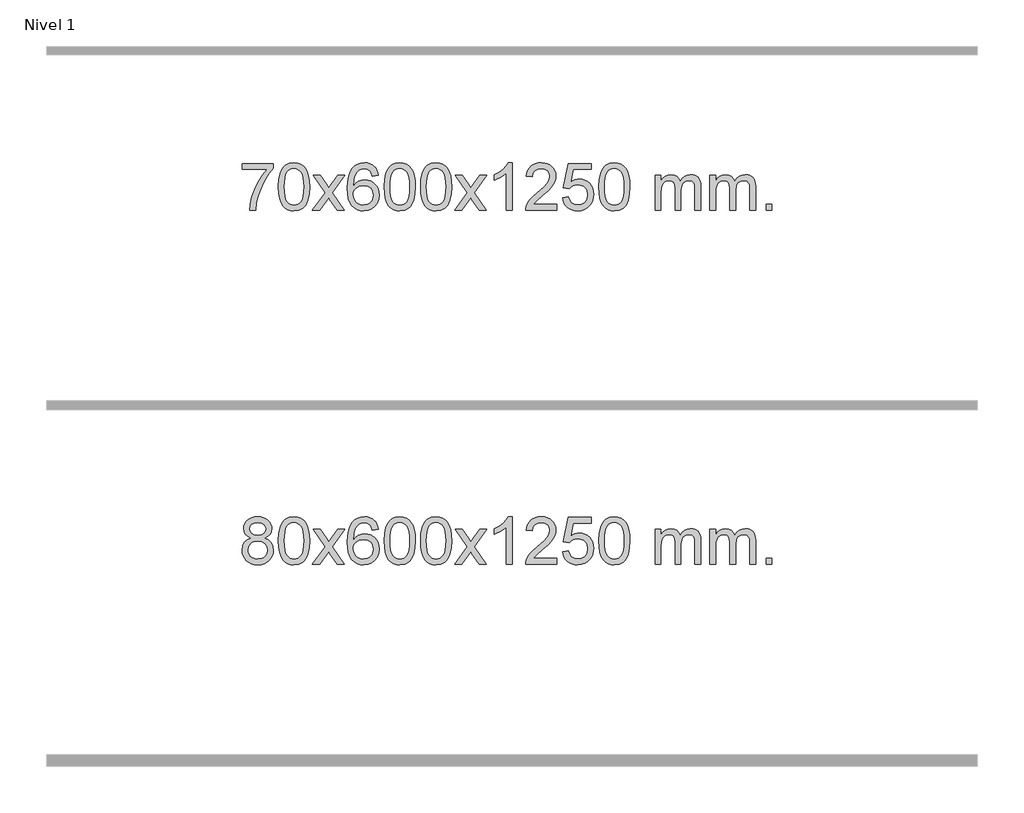
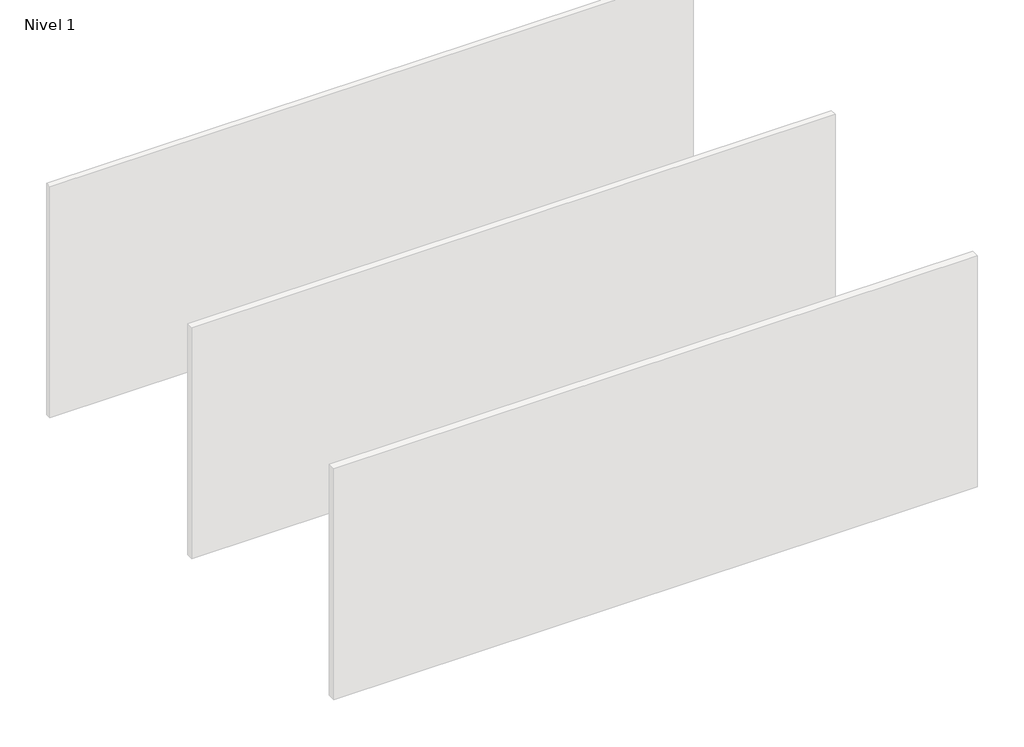
# One storey, part 4 of 6: 2 proxies.
"""IFC4 building model written with IfcOpenShell, lengths in millimetres."""

from ifc_helpers import new_model, si_unit, origin, origin_with_axes, place, context, project, spatial, polyline, outline, extrude, element, save

model = new_model("IFC4")

# Units and contexts
model_context = context("Model", 3, world=origin())
ifc_project = project(units=[si_unit("LENGTHUNIT", "METRE", prefix="MILLI")], contexts=[model_context])

# Site, building, storey
site = spatial("IfcSite", under=ifc_project)
building = spatial("IfcBuilding", under=site)
storey = spatial("IfcBuildingStorey", under=building, Name="Nivel 1", Elevation=0.0)

# Proxies
placement = place(None, origin())
element("IfcBuildingElementProxy", 1, Name="Texto de modelo 1", ObjectType="Texto de modelo 1", at=placement, inside=storey, context=model_context, shape_type="SweptSolid", body=[
    extrude(outline(polyline([(-4797.6595743, -9178.2616447), (-4824.5517482, -9165.0178929), (-4843.4240945, -9147.0652515), (-4854.570919, -9124.7716026), (-4858.2865271, -9098.5048281), (-4856.2631762, -9078.0199324), (-4850.1931233, -9059.2395565), (-4840.0763684, -9042.1637006), (-4825.9129116, -9026.7923645), (-4808.3833345, -9014.088173), (-4788.1682189, -9005.0137504), (-4765.2675647, -8999.5690969), (-4739.6813719, -8997.7542124), (-4713.9725518, -8999.6120165), (-4690.9002193, -9005.1854287), (-4670.4643745, -9014.4744491), (-4652.6650173, -9027.4790776), (-4638.2440431, -9043.1508506), (-4627.9433472, -9060.4413044), (-4621.7629297, -9079.3504389), (-4619.7027905, -9099.8782543), (-4623.3693478, -9125.2989001), (-4634.3690194, -9147.2124043), (-4652.8244328, -9165.0546811), (-4678.8582154, -9178.2616447), (-4647.943865, -9194.1909351), (-4625.4417497, -9217.6495436), (-4611.7197512, -9247.5092989), (-4607.1457518, -9282.6420295), (-4609.4143574, -9307.6947933), (-4616.2201743, -9330.6628926), (-4627.5632025, -9351.5463272), (-4643.443442, -9370.3450971), (-4663.0270268, -9385.88198), (-4685.4800913, -9396.9797536), (-4710.8026353, -9403.6384177), (-4738.9946588, -9405.8579724), (-4767.1866824, -9403.6292206), (-4792.5092264, -9396.9429654), (-4814.9622908, -9385.7992066), (-4834.5458757, -9370.1979443), (-4850.4261152, -9351.26735), (-4861.7691434, -9330.135595), (-4868.5749603, -9306.8026795), (-4870.8435659, -9281.2686033), (-4866.0856254, -9244.7747094), (-4851.811804, -9214.7555386), (-4828.7578657, -9192.2411605), (-4797.6595743, -9178.2616447)]), holes=[polyline([(-4808.0583721, -9099.9763561), (-4803.6069999, -9121.902123), (-4790.2528835, -9139.413306), (-4768.3884303, -9150.8912243), (-4738.4060477, -9154.717197), (-4709.1226408, -9150.9157497), (-4687.5892814, -9139.5114079), (-4674.3455296, -9122.5888361), (-4669.9309456, -9102.232699), (-4674.4926824, -9081.1040098), (-4688.1778926, -9063.629615), (-4710.0055576, -9051.8941794), (-4738.9946588, -9047.9823675), (-4768.1677011, -9051.8083402), (-4789.9585779, -9063.2862585), (-4803.5334235, -9080.1107284), (-4808.0583721, -9099.9763561)]), polyline([(-4820.6154108, -9279.5027698), (-4818.5184835, -9298.7184726), (-4812.2277013, -9317.3210389), (-4800.614893, -9333.5446349), (-4782.5518871, -9345.623427), (-4760.9204258, -9353.1282197), (-4738.6022514, -9355.6298173), (-4704.4137513, -9350.3691048), (-4690.5200746, -9343.7932141), (-4678.7601135, -9334.5869672), (-4662.7204585, -9310.6869002), (-4657.3739068, -9281.0723996), (-4662.8921368, -9250.9551269), (-4679.4468266, -9226.5277625), (-4691.5256187, -9217.0854579), (-4705.6890755, -9210.3409547), (-4740.2699831, -9204.9453521), (-4773.9802366, -9210.2673783), (-4787.7175634, -9216.919911), (-4799.376357, -9226.2334569), (-4815.3056474, -9250.1948375), (-4820.6154108, -9279.5027698)])]), origin_with_axes(), (0.0, 0.0, 1.0), 10.0),
    extrude(outline(polyline([(-4563.1961161, -9201.9041943), (-4559.5050334, -9137.5861588), (-4548.4317853, -9086.2911459), (-4530.0867365, -9047.2343407), (-4518.2286735, -9032.0009605), (-4504.5802515, -9019.6309284), (-4489.0954852, -9010.0598651), (-4471.7283893, -9003.2233914), (-4431.347209, -8997.7542124), (-4400.3960705, -9000.991574), (-4372.6822935, -9010.7036586), (-4349.5057278, -9026.5103217), (-4332.1662231, -9048.0314184), (-4319.0696241, -9075.0830078), (-4308.6217754, -9107.4811488), (-4301.7791703, -9148.6226186), (-4299.4983019, -9201.9041943), (-4303.1525964, -9265.8543477), (-4314.1154799, -9317.0267333), (-4332.3501641, -9356.1203266), (-4344.1806359, -9371.3996922), (-4357.8198609, -9383.8341036), (-4373.3230213, -9393.4695462), (-4390.7452995, -9400.3520052), (-4431.347209, -9405.8579724), (-4459.011935, -9403.4667394), (-4483.5374014, -9396.2930405), (-4504.923608, -9384.3368757), (-4523.170555, -9367.5982449), (-4540.681738, -9337.3399508), (-4553.1897258, -9299.6381776), (-4560.6945185, -9254.4929255), (-4563.1961161, -9201.9041943)]), holes=[polyline([(-4512.967961, -9201.8060924), (-4511.496433, -9245.4706195), (-4507.0818491, -9280.8148822), (-4499.7242092, -9307.8388804), (-4489.4235133, -9326.5426142), (-4476.9645764, -9339.2682656), (-4463.1322134, -9348.3580165), (-4447.9264243, -9353.8118671), (-4431.347209, -9355.6298173), (-4414.7679938, -9353.8057357), (-4399.5622046, -9348.3334911), (-4385.7298416, -9339.2130833), (-4373.2709047, -9326.4445124), (-4362.9702088, -9307.7101217), (-4355.6125689, -9280.6922549), (-4351.197985, -9245.3909118), (-4349.726457, -9201.8060924), (-4351.1489341, -9159.2973278), (-4355.4163652, -9124.5753989), (-4362.5287504, -9097.6403055), (-4372.4860898, -9078.4920476), (-4384.7365602, -9065.1440625), (-4398.7283388, -9055.6097875), (-4414.4614254, -9049.8892225), (-4431.9358202, -9047.9823675), (-4448.4291963, -9049.6623619), (-4463.3774681, -9054.7023452), (-4476.7806354, -9063.1023175), (-4488.6386984, -9074.8622786), (-4499.2827508, -9095.708925), (-4506.8856454, -9123.8151094), (-4511.4473821, -9159.1808319), (-4512.967961, -9201.8060924)])]), origin_with_axes(), (0.0, 0.0, 1.0), 10.0),
    extrude(outline(polyline([(-4274.3842244, -9399.579453), (-4167.0607837, -9251.2494325), (-4268.105705, -9104.4890419), (-4207.6749559, -9104.4890419), (-4158.9183288, -9175.122385), (-4136.1586961, -9208.4770192), (-4116.4402211, -9181.2047007), (-4060.9145653, -9104.4890419), (-4000.4838163, -9104.4890419), (-4106.6300346, -9251.2494325), (-4004.4078909, -9399.579453), (-4064.8386399, -9399.579453), (-4126.3485095, -9310.4048574), (-4137.6302241, -9294.1199477), (-4213.9534753, -9399.579453), (-4274.3842244, -9399.579453)])), origin_with_axes(), (0.0, 0.0, 1.0), 10.0),
    extrude(outline(polyline([(-3715.5959992, -9104.4890419), (-3765.8241543, -9110.7675613), (-3773.9175582, -9085.874213), (-3784.8559162, -9068.8780648), (-3807.6400744, -9053.2062918), (-3835.1821731, -9047.9823675), (-3858.5304171, -9051.0235253), (-3880.5052349, -9060.1469988), (-3899.3775813, -9079.3627017), (-3914.7918368, -9105.8134171), (-3925.2028973, -9143.227016), (-3929.0656583, -9195.3313693), (-3908.9179877, -9171.8237098), (-3884.772666, -9155.2567573), (-3857.9785941, -9145.434308), (-3829.8846724, -9142.1601582), (-3805.7516135, -9144.398107), (-3783.48249, -9151.1119534), (-3763.077302, -9162.3016975), (-3744.5360495, -9177.9673391), (-3729.1279252, -9197.1769106), (-3718.1221222, -9218.9984443), (-3711.5186404, -9243.4319401), (-3709.3174798, -9270.4773982), (-3713.4622836, -9306.4439945), (-3725.8966951, -9339.786366), (-3745.5906445, -9368.0642287), (-3771.5140625, -9388.8372987), (-3802.4897265, -9401.602804), (-3837.3404141, -9405.8579724), (-3867.2829429, -9403.0375437), (-3894.3253352, -9394.5762579), (-3918.4675911, -9380.4741147), (-3939.7097107, -9360.7311143), (-3957.0277556, -9334.5133908), (-3969.3977877, -9300.9870783), (-3976.8198069, -9260.1521768), (-3979.2938133, -9212.0086864), (-3976.5469611, -9158.0342663), (-3968.3064044, -9111.9693092), (-3954.5721433, -9073.8138149), (-3935.3441776, -9043.5677835), (-3914.5036626, -9023.5243462), (-3890.3399469, -9009.2076052), (-3862.8530305, -9000.6175606), (-3832.0429134, -8997.7542124), (-3808.9092673, -8999.5261773), (-3787.9706504, -9004.8420722), (-3769.2270627, -9013.7018969), (-3752.6785043, -9026.1056515), (-3738.7725649, -9041.6364031), (-3727.9568342, -9059.8772186), (-3720.2313123, -9080.8280983), (-3715.5959992, -9104.4890419)]), holes=[polyline([(-3929.0656583, -9269.6925832), (-3926.1593905, -9291.9494439), (-3917.4405872, -9313.2007605), (-3903.9025298, -9331.472233), (-3886.5384996, -9344.7895612), (-3865.5814886, -9352.9197533), (-3841.2644887, -9355.6298173), (-3808.118321, -9350.0134855), (-3794.2031845, -9342.9930708), (-3782.060013, -9333.1644901), (-3772.2099726, -9320.9262824), (-3765.1742294, -9306.6769865), (-3759.5456349, -9272.1451299), (-3765.100653, -9238.9989621), (-3772.0444257, -9225.3781312), (-3781.7657074, -9213.725469), (-3793.9456671, -9204.3904634), (-3808.2654738, -9197.7226022), (-3843.3246279, -9192.3883133), (-3876.4217448, -9197.7226022), (-3904.0987335, -9213.725469), (-3915.0217631, -9225.2248471), (-3922.8239271, -9238.3858254), (-3927.5052255, -9253.2084042), (-3929.0656583, -9269.6925832)])]), origin_with_axes(), (0.0, 0.0, 1.0), 10.0),
    extrude(outline(polyline([(-3665.3678441, -9201.9041943), (-3661.6767614, -9137.5861588), (-3650.6035134, -9086.2911459), (-3632.2584646, -9047.2343407), (-3620.4004016, -9032.0009605), (-3606.7519796, -9019.6309284), (-3591.2672132, -9010.0598651), (-3573.9001174, -9003.2233914), (-3533.518937, -8997.7542124), (-3502.5677985, -9000.991574), (-3474.8540216, -9010.7036586), (-3451.6774559, -9026.5103217), (-3434.3379511, -9048.0314184), (-3421.2413521, -9075.0830078), (-3410.7935035, -9107.4811488), (-3403.9508983, -9148.6226186), (-3401.67003, -9201.9041943), (-3405.3243245, -9265.8543477), (-3416.2872079, -9317.0267333), (-3434.5218921, -9356.1203266), (-3446.352364, -9371.3996922), (-3459.9915889, -9383.8341036), (-3475.4947494, -9393.4695462), (-3492.9170275, -9400.3520052), (-3533.518937, -9405.8579724), (-3561.1836631, -9403.4667394), (-3585.7091294, -9396.2930405), (-3607.0953361, -9384.3368757), (-3625.342283, -9367.5982449), (-3642.853466, -9337.3399508), (-3655.3614539, -9299.6381776), (-3662.8662466, -9254.4929255), (-3665.3678441, -9201.9041943)]), holes=[polyline([(-3615.139689, -9201.8060924), (-3613.6681611, -9245.4706195), (-3609.2535771, -9280.8148822), (-3601.8959372, -9307.8388804), (-3591.5952414, -9326.5426142), (-3579.1363044, -9339.2682656), (-3565.3039414, -9348.3580165), (-3550.0981523, -9353.8118671), (-3533.518937, -9355.6298173), (-3516.9397218, -9353.8057357), (-3501.7339327, -9348.3334911), (-3487.9015696, -9339.2130833), (-3475.4426327, -9326.4445124), (-3465.1419369, -9307.7101217), (-3457.784297, -9280.6922549), (-3453.369713, -9245.3909118), (-3451.8981851, -9201.8060924), (-3453.3206621, -9159.2973278), (-3457.5880932, -9124.5753989), (-3464.7004785, -9097.6403055), (-3474.6578178, -9078.4920476), (-3486.9082883, -9065.1440625), (-3500.9000668, -9055.6097875), (-3516.6331535, -9049.8892225), (-3534.1075482, -9047.9823675), (-3550.6009244, -9049.6623619), (-3565.5491961, -9054.7023452), (-3578.9523635, -9063.1023175), (-3590.8104264, -9074.8622786), (-3601.4544788, -9095.708925), (-3609.0573734, -9123.8151094), (-3613.6191101, -9159.1808319), (-3615.139689, -9201.8060924)])]), origin_with_axes(), (0.0, 0.0, 1.0), 10.0),
    extrude(outline(polyline([(-3357.7203943, -9201.9041943), (-3354.0293116, -9137.5861588), (-3342.9560635, -9086.2911459), (-3324.6110147, -9047.2343407), (-3312.7529517, -9032.0009605), (-3299.1045297, -9019.6309284), (-3283.6197634, -9010.0598651), (-3266.2526676, -9003.2233914), (-3225.8714872, -8997.7542124), (-3194.9203487, -9000.991574), (-3167.2065717, -9010.7036586), (-3144.030006, -9026.5103217), (-3126.6905013, -9048.0314184), (-3113.5939023, -9075.0830078), (-3103.1460536, -9107.4811488), (-3096.3034485, -9148.6226186), (-3094.0225801, -9201.9041943), (-3097.6768746, -9265.8543477), (-3108.6397581, -9317.0267333), (-3126.8744423, -9356.1203266), (-3138.7049141, -9371.3996922), (-3152.3441391, -9383.8341036), (-3167.8472995, -9393.4695462), (-3185.2695777, -9400.3520052), (-3225.8714872, -9405.8579724), (-3253.5362133, -9403.4667394), (-3278.0616796, -9396.2930405), (-3299.4478862, -9384.3368757), (-3317.6948332, -9367.5982449), (-3335.2060162, -9337.3399508), (-3347.714004, -9299.6381776), (-3355.2187967, -9254.4929255), (-3357.7203943, -9201.9041943)]), holes=[polyline([(-3307.4922392, -9201.8060924), (-3306.0207112, -9245.4706195), (-3301.6061273, -9280.8148822), (-3294.2484874, -9307.8388804), (-3283.9477915, -9326.5426142), (-3271.4888546, -9339.2682656), (-3257.6564916, -9348.3580165), (-3242.4507025, -9353.8118671), (-3225.8714872, -9355.6298173), (-3209.292272, -9353.8057357), (-3194.0864828, -9348.3334911), (-3180.2541198, -9339.2130833), (-3167.7951829, -9326.4445124), (-3157.494487, -9307.7101217), (-3150.1368471, -9280.6922549), (-3145.7222632, -9245.3909118), (-3144.2507352, -9201.8060924), (-3145.6732123, -9159.2973278), (-3149.9406434, -9124.5753989), (-3157.0530287, -9097.6403055), (-3167.010368, -9078.4920476), (-3179.2608384, -9065.1440625), (-3193.252617, -9055.6097875), (-3208.9857036, -9049.8892225), (-3226.4600984, -9047.9823675), (-3242.9534745, -9049.6623619), (-3257.9017463, -9054.7023452), (-3271.3049136, -9063.1023175), (-3283.1629766, -9074.8622786), (-3293.807029, -9095.708925), (-3301.4099236, -9123.8151094), (-3305.9716603, -9159.1808319), (-3307.4922392, -9201.8060924)])]), origin_with_axes(), (0.0, 0.0, 1.0), 10.0),
    extrude(outline(polyline([(-3068.9085026, -9399.579453), (-2961.5850619, -9251.2494325), (-3062.6299832, -9104.4890419), (-3002.1992341, -9104.4890419), (-2953.4426071, -9175.122385), (-2930.6829743, -9208.4770192), (-2910.9644993, -9181.2047007), (-2855.4388435, -9104.4890419), (-2795.0080945, -9104.4890419), (-2901.1543128, -9251.2494325), (-2798.9321691, -9399.579453), (-2859.3629182, -9399.579453), (-2920.8727877, -9310.4048574), (-2932.1545023, -9294.1199477), (-3008.4777535, -9399.579453), (-3068.9085026, -9399.579453)])), origin_with_axes(), (0.0, 0.0, 1.0), 10.0),
    extrude(outline(polyline([(-2579.1839906, -9399.579453), (-2629.4121457, -9399.579453), (-2629.4121457, -9086.4382987), (-2650.3814194, -9103.3976587), (-2676.9915504, -9120.3324932), (-2729.8684559, -9145.6918254), (-2729.8684559, -9098.2105225), (-2690.4192432, -9076.7507395), (-2656.2430059, -9051.219729), (-2629.3017811, -9024.0700378), (-2611.5576062, -8997.7542124), (-2579.1839906, -8997.7542124), (-2579.1839906, -9399.579453)])), origin_with_axes(), (0.0, 0.0, 1.0), 10.0),
    extrude(outline(polyline([(-2202.4728276, -9349.3512979), (-2202.4728276, -9399.579453), (-2466.1706417, -9399.579453), (-2465.0669957, -9381.8965918), (-2460.7750391, -9364.9494945), (-2448.3896786, -9337.8856424), (-2430.265359, -9311.6311307), (-2404.0476355, -9284.1503456), (-2367.3820633, -9253.4076736), (-2313.1807826, -9205.2641831), (-2280.6600143, -9169.7267824), (-2264.3996301, -9140.884834), (-2258.979502, -9112.8277005), (-2264.0930618, -9087.6768347), (-2279.433741, -9066.7688747), (-2303.0149768, -9052.6789943), (-2332.8502067, -9047.9823675), (-2364.1814899, -9052.5686297), (-2388.5230153, -9066.3274163), (-2404.2315765, -9088.1796068), (-2409.6639672, -9117.0460807), (-2459.8921223, -9110.7675613), (-2455.5725746, -9084.838012), (-2447.7152283, -9062.1826125), (-2436.3200835, -9042.8013627), (-2421.3871402, -9026.6942627), (-2403.2597548, -9014.0329907), (-2382.2812841, -9004.989225), (-2358.4517278, -8999.5629655), (-2331.7710861, -8997.7542124), (-2304.8513211, -8999.7653006), (-2280.8930062, -9005.7985654), (-2259.8961413, -9015.8540066), (-2241.8607265, -9029.9316242), (-2227.375373, -9046.9890861), (-2217.0286918, -9065.9840598), (-2210.8206832, -9086.9165453), (-2208.7513469, -9109.7865427), (-2210.9831644, -9133.8092369), (-2217.6786167, -9157.4149983), (-2229.5612051, -9181.4254299), (-2247.354431, -9206.6621347), (-2275.7181328, -9236.7916701), (-2319.3121492, -9275.4805933), (-2377.0941479, -9323.795762), (-2399.7556788, -9349.3512979), (-2202.4728276, -9349.3512979)])), origin_with_axes(), (0.0, 0.0, 1.0), 10.0),
    extrude(outline(polyline([(-2152.2446725, -9292.8446235), (-2102.0165174, -9286.5661041), (-2092.7949421, -9316.7201649), (-2076.7062361, -9338.3148381), (-2053.823976, -9351.3010725), (-2024.2217382, -9355.6298173), (-2005.0918744, -9354.1245668), (-1988.2183536, -9349.6088153), (-1973.6011756, -9342.0825628), (-1961.2403406, -9331.5458094), (-1951.41176, -9318.519721), (-1944.3913452, -9303.5254641), (-1938.7750134, -9267.6324441), (-1944.035726, -9233.8363514), (-1950.6116166, -9219.9181493), (-1959.8178635, -9207.9865099), (-1971.6851236, -9198.4154467), (-1986.2440535, -9191.5789729), (-2023.4369232, -9186.1097939), (-2047.8029741, -9188.2925604), (-2067.5337117, -9194.8408599), (-2083.2913239, -9204.8717757), (-2095.737998, -9217.5023908), (-2145.9661531, -9211.2238715), (-2102.0165174, -9004.0327318), (-1907.3824165, -9004.0327318), (-1907.3824165, -9054.2608869), (-2061.4023451, -9054.2608869), (-2082.8866537, -9164.919791), (-2065.1608729, -9152.2155994), (-2047.0058964, -9143.1411769), (-2028.4217243, -9137.6965234), (-2009.4083565, -9135.8816388), (-1984.9472695, -9138.1318504), (-1962.4788766, -9144.882485), (-1942.0031779, -9156.1335427), (-1923.5201734, -9171.8850234), (-1908.219348, -9191.1743027), (-1897.2901871, -9213.038756), (-1890.7326905, -9237.4783832), (-1888.5468583, -9264.4931844), (-1890.515027, -9290.5147042), (-1896.419533, -9314.7213394), (-1906.2603764, -9337.1130902), (-1920.0375571, -9357.6899565), (-1940.908729, -9378.7634634), (-1965.2625171, -9393.8159684), (-1993.0989214, -9402.8474714), (-2024.4179419, -9405.8579724), (-2050.3382941, -9403.9235262), (-2073.7509175, -9398.1201877), (-2094.6558118, -9388.447957), (-2113.0529773, -9374.9068338), (-2128.359934, -9358.1712688), (-2139.9942021, -9338.915712), (-2147.9557816, -9317.1401636), (-2152.2446725, -9292.8446235)])), origin_with_axes(), (0.0, 0.0, 1.0), 10.0),
    extrude(outline(polyline([(-1844.5972227, -9201.9041943), (-1840.90614, -9137.5861588), (-1829.8328919, -9086.2911459), (-1811.4878431, -9047.2343407), (-1799.6297801, -9032.0009605), (-1785.9813581, -9019.6309284), (-1770.4965918, -9010.0598651), (-1753.1294959, -9003.2233914), (-1712.7483156, -8997.7542124), (-1681.7971771, -9000.991574), (-1654.0834001, -9010.7036586), (-1630.9068344, -9026.5103217), (-1613.5673297, -9048.0314184), (-1600.4707307, -9075.0830078), (-1590.022882, -9107.4811488), (-1583.1802769, -9148.6226186), (-1580.8994085, -9201.9041943), (-1584.553703, -9265.8543477), (-1595.5165865, -9317.0267333), (-1613.7512707, -9356.1203266), (-1625.5817425, -9371.3996922), (-1639.2209675, -9383.8341036), (-1654.7241279, -9393.4695462), (-1672.1464061, -9400.3520052), (-1712.7483156, -9405.8579724), (-1740.4130416, -9403.4667394), (-1764.938508, -9396.2930405), (-1786.3247146, -9384.3368757), (-1804.5716616, -9367.5982449), (-1822.0828446, -9337.3399508), (-1834.5908324, -9299.6381776), (-1842.0956251, -9254.4929255), (-1844.5972227, -9201.9041943)]), holes=[polyline([(-1794.3690676, -9201.8060924), (-1792.8975396, -9245.4706195), (-1788.4829557, -9280.8148822), (-1781.1253158, -9307.8388804), (-1770.8246199, -9326.5426142), (-1758.365683, -9339.2682656), (-1744.53332, -9348.3580165), (-1729.3275308, -9353.8118671), (-1712.7483156, -9355.6298173), (-1696.1691003, -9353.8057357), (-1680.9633112, -9348.3334911), (-1667.1309482, -9339.2130833), (-1654.6720113, -9326.4445124), (-1644.3713154, -9307.7101217), (-1637.0136755, -9280.6922549), (-1632.5990916, -9245.3909118), (-1631.1275636, -9201.8060924), (-1632.5500406, -9159.2973278), (-1636.8174718, -9124.5753989), (-1643.929857, -9097.6403055), (-1653.8871964, -9078.4920476), (-1666.1376668, -9065.1440625), (-1680.1294453, -9055.6097875), (-1695.862532, -9049.8892225), (-1713.3369268, -9047.9823675), (-1729.8303029, -9049.6623619), (-1744.7785746, -9054.7023452), (-1758.181742, -9063.1023175), (-1770.039805, -9074.8622786), (-1780.6838574, -9095.708925), (-1788.2867519, -9123.8151094), (-1792.8484887, -9159.1808319), (-1794.3690676, -9201.8060924)])]), origin_with_axes(), (0.0, 0.0, 1.0), 10.0),
    extrude(outline(polyline([(-1367.4297494, -9399.579453), (-1367.4297494, -9104.4890419), (-1317.2015944, -9104.4890419), (-1317.2015944, -9153.0494653), (-1302.0939071, -9130.7435537), (-1282.6697378, -9113.2691589), (-1259.5912739, -9101.9751816), (-1233.5207032, -9098.2105225), (-1205.586197, -9102.048758), (-1183.1944463, -9113.5634645), (-1166.4680782, -9131.9943524), (-1155.5297202, -9156.5811324), (-1137.2214596, -9131.0439906), (-1116.338025, -9112.803175), (-1092.8794164, -9101.8586857), (-1066.8456339, -9098.2105225), (-1046.7378172, -9099.7280358), (-1029.0886785, -9104.2805755), (-1013.8982178, -9111.8681416), (-1001.166435, -9122.4907342), (-991.1017968, -9136.2709806), (-983.9127695, -9153.3315082), (-979.5993531, -9173.6723168), (-978.1615476, -9197.2934066), (-978.1615476, -9399.579453), (-1028.3897027, -9399.579453), (-1028.3897027, -9218.875817), (-1029.5546623, -9193.8230531), (-1033.0495413, -9176.9372695), (-1039.5978408, -9165.3735121), (-1049.9230621, -9156.2868268), (-1063.2036022, -9150.4007149), (-1078.6178578, -9148.4386776), (-1105.8288627, -9153.4663982), (-1128.012147, -9168.54956), (-1136.61752, -9180.1194488), (-1142.764215, -9194.7182326), (-1147.681571, -9233.0024856), (-1147.681571, -9399.579453), (-1197.9097261, -9399.579453), (-1197.9097261, -9213.2840106), (-1200.8159938, -9184.8835206), (-1209.5347971, -9164.6254854), (-1224.8754763, -9152.4853796), (-1247.6473718, -9148.4386776), (-1266.9979648, -9151.1364789), (-1284.8279788, -9159.2298828), (-1299.5432586, -9172.5226856), (-1309.5496489, -9190.8186835), (-1315.288608, -9216.2025411), (-1317.2015944, -9250.7589232), (-1317.2015944, -9399.579453), (-1367.4297494, -9399.579453)])), origin_with_axes(), (0.0, 0.0, 1.0), 10.0),
    extrude(outline(polyline([(-902.819315, -9399.579453), (-902.819315, -9104.4890419), (-852.5911599, -9104.4890419), (-852.5911599, -9153.0494653), (-837.4834727, -9130.7435537), (-818.0593033, -9113.2691589), (-794.9808395, -9101.9751816), (-768.9102688, -9098.2105225), (-740.9757626, -9102.048758), (-718.5840118, -9113.5634645), (-701.8576438, -9131.9943524), (-690.9192858, -9156.5811324), (-672.6110252, -9131.0439906), (-651.7275906, -9112.803175), (-628.268982, -9101.8586857), (-602.2351995, -9098.2105225), (-582.1273828, -9099.7280358), (-564.478244, -9104.2805755), (-549.2877833, -9111.8681416), (-536.5560006, -9122.4907342), (-526.4913624, -9136.2709806), (-519.302335, -9153.3315082), (-514.9889186, -9173.6723168), (-513.5511132, -9197.2934066), (-513.5511132, -9399.579453), (-563.7792682, -9399.579453), (-563.7792682, -9218.875817), (-564.9442279, -9193.8230531), (-568.4391069, -9176.9372695), (-574.9874064, -9165.3735121), (-585.3126277, -9156.2868268), (-598.5931677, -9150.4007149), (-614.0074233, -9148.4386776), (-641.2184282, -9153.4663982), (-663.4017125, -9168.54956), (-672.0070855, -9180.1194488), (-678.1537806, -9194.7182326), (-683.0711366, -9233.0024856), (-683.0711366, -9399.579453), (-733.2992916, -9399.579453), (-733.2992916, -9213.2840106), (-736.2055594, -9184.8835206), (-744.9243627, -9164.6254854), (-760.2650419, -9152.4853796), (-783.0369374, -9148.4386776), (-802.3875303, -9151.1364789), (-820.2175444, -9159.2298828), (-834.9328242, -9172.5226856), (-844.9392144, -9190.8186835), (-850.6781736, -9216.2025411), (-852.5911599, -9250.7589232), (-852.5911599, -9399.579453), (-902.819315, -9399.579453)])), origin_with_axes(), (0.0, 0.0, 1.0), 10.0),
    extrude(outline(polyline([(-425.6518418, -9399.579453), (-425.6518418, -9349.3512979), (-375.4236867, -9349.3512979), (-375.4236867, -9399.579453), (-425.6518418, -9399.579453)])), origin_with_axes(), (0.0, 0.0, 1.0), 10.0),
])
element("IfcBuildingElementProxy", 2, Name="Texto de modelo 1", ObjectType="Texto de modelo 1", at=placement, inside=storey, context=model_context, shape_type="SweptSolid", body=[
    extrude(outline(polyline([(-4870.8435659, -6050.2608869), (-4870.8435659, -6000.0327318), (-4607.1457518, -6000.0327318), (-4607.1457518, -6040.646904), (-4644.7310289, -6088.214046), (-4681.9484241, -6148.7061088), (-4714.7757608, -6216.6048623), (-4739.1908626, -6286.3920768), (-4751.1592902, -6338.6067947), (-4757.830217, -6395.579453), (-4808.0583721, -6395.579453), (-4802.6259813, -6343.8061935), (-4788.0946425, -6282.2717985), (-4764.8567631, -6217.0463207), (-4733.3047507, -6154.1998132), (-4696.4675002, -6097.3865704), (-4657.3739068, -6050.2608869), (-4870.8435659, -6050.2608869)])), origin_with_axes(), (0.0, 0.0, 1.0), 10.0),
    extrude(outline(polyline([(-4563.1961161, -6197.9041943), (-4559.5050334, -6133.5861588), (-4548.4317853, -6082.2911459), (-4530.0867365, -6043.2343407), (-4518.2286735, -6028.0009605), (-4504.5802515, -6015.6309284), (-4489.0954852, -6006.0598651), (-4471.7283893, -5999.2233914), (-4431.347209, -5993.7542124), (-4400.3960705, -5996.991574), (-4372.6822935, -6006.7036586), (-4349.5057278, -6022.5103217), (-4332.1662231, -6044.0314184), (-4319.0696241, -6071.0830078), (-4308.6217754, -6103.4811488), (-4301.7791703, -6144.6226186), (-4299.4983019, -6197.9041943), (-4303.1525964, -6261.8543477), (-4314.1154799, -6313.0267333), (-4332.3501641, -6352.1203266), (-4344.1806359, -6367.3996922), (-4357.8198609, -6379.8341036), (-4373.3230213, -6389.4695462), (-4390.7452995, -6396.3520052), (-4431.347209, -6401.8579724), (-4459.011935, -6399.4667394), (-4483.5374014, -6392.2930405), (-4504.923608, -6380.3368757), (-4523.170555, -6363.5982449), (-4540.681738, -6333.3399508), (-4553.1897258, -6295.6381776), (-4560.6945185, -6250.4929255), (-4563.1961161, -6197.9041943)]), holes=[polyline([(-4512.967961, -6197.8060924), (-4511.496433, -6241.4706195), (-4507.0818491, -6276.8148822), (-4499.7242092, -6303.8388804), (-4489.4235133, -6322.5426142), (-4476.9645764, -6335.2682656), (-4463.1322134, -6344.3580165), (-4447.9264243, -6349.8118671), (-4431.347209, -6351.6298173), (-4414.7679938, -6349.8057357), (-4399.5622046, -6344.3334911), (-4385.7298416, -6335.2130833), (-4373.2709047, -6322.4445124), (-4362.9702088, -6303.7101217), (-4355.6125689, -6276.6922549), (-4351.197985, -6241.3909118), (-4349.726457, -6197.8060924), (-4351.1489341, -6155.2973278), (-4355.4163652, -6120.5753989), (-4362.5287504, -6093.6403055), (-4372.4860898, -6074.4920476), (-4384.7365602, -6061.1440625), (-4398.7283388, -6051.6097875), (-4414.4614254, -6045.8892225), (-4431.9358202, -6043.9823675), (-4448.4291963, -6045.6623619), (-4463.3774681, -6050.7023452), (-4476.7806354, -6059.1023175), (-4488.6386984, -6070.8622786), (-4499.2827508, -6091.708925), (-4506.8856454, -6119.8151094), (-4511.4473821, -6155.1808319), (-4512.967961, -6197.8060924)])]), origin_with_axes(), (0.0, 0.0, 1.0), 10.0),
    extrude(outline(polyline([(-4274.3842244, -6395.579453), (-4167.0607837, -6247.2494325), (-4268.105705, -6100.4890419), (-4207.6749559, -6100.4890419), (-4158.9183288, -6171.122385), (-4136.1586961, -6204.4770192), (-4116.4402211, -6177.2047007), (-4060.9145653, -6100.4890419), (-4000.4838163, -6100.4890419), (-4106.6300346, -6247.2494325), (-4004.4078909, -6395.579453), (-4064.8386399, -6395.579453), (-4126.3485095, -6306.4048574), (-4137.6302241, -6290.1199477), (-4213.9534753, -6395.579453), (-4274.3842244, -6395.579453)])), origin_with_axes(), (0.0, 0.0, 1.0), 10.0),
    extrude(outline(polyline([(-3715.5959992, -6100.4890419), (-3765.8241543, -6106.7675613), (-3773.9175582, -6081.874213), (-3784.8559162, -6064.8780648), (-3807.6400744, -6049.2062918), (-3835.1821731, -6043.9823675), (-3858.5304171, -6047.0235253), (-3880.5052349, -6056.1469988), (-3899.3775813, -6075.3627017), (-3914.7918368, -6101.8134171), (-3925.2028973, -6139.227016), (-3929.0656583, -6191.3313693), (-3908.9179877, -6167.8237098), (-3884.772666, -6151.2567573), (-3857.9785941, -6141.434308), (-3829.8846724, -6138.1601582), (-3805.7516135, -6140.398107), (-3783.48249, -6147.1119534), (-3763.077302, -6158.3016975), (-3744.5360495, -6173.9673391), (-3729.1279252, -6193.1769106), (-3718.1221222, -6214.9984443), (-3711.5186404, -6239.4319401), (-3709.3174798, -6266.4773982), (-3713.4622836, -6302.4439945), (-3725.8966951, -6335.786366), (-3745.5906445, -6364.0642287), (-3771.5140625, -6384.8372987), (-3802.4897265, -6397.602804), (-3837.3404141, -6401.8579724), (-3867.2829429, -6399.0375437), (-3894.3253352, -6390.5762579), (-3918.4675911, -6376.4741147), (-3939.7097107, -6356.7311143), (-3957.0277556, -6330.5133908), (-3969.3977877, -6296.9870783), (-3976.8198069, -6256.1521768), (-3979.2938133, -6208.0086864), (-3976.5469611, -6154.0342663), (-3968.3064044, -6107.9693092), (-3954.5721433, -6069.8138149), (-3935.3441776, -6039.5677835), (-3914.5036626, -6019.5243462), (-3890.3399469, -6005.2076052), (-3862.8530305, -5996.6175606), (-3832.0429134, -5993.7542124), (-3808.9092673, -5995.5261773), (-3787.9706504, -6000.8420722), (-3769.2270627, -6009.7018969), (-3752.6785043, -6022.1056515), (-3738.7725649, -6037.6364031), (-3727.9568342, -6055.8772186), (-3720.2313123, -6076.8280983), (-3715.5959992, -6100.4890419)]), holes=[polyline([(-3929.0656583, -6265.6925832), (-3926.1593905, -6287.9494439), (-3917.4405872, -6309.2007605), (-3903.9025298, -6327.472233), (-3886.5384996, -6340.7895612), (-3865.5814886, -6348.9197533), (-3841.2644887, -6351.6298173), (-3808.118321, -6346.0134855), (-3794.2031845, -6338.9930708), (-3782.060013, -6329.1644901), (-3772.2099726, -6316.9262824), (-3765.1742294, -6302.6769865), (-3759.5456349, -6268.1451299), (-3765.100653, -6234.9989621), (-3772.0444257, -6221.3781312), (-3781.7657074, -6209.725469), (-3793.9456671, -6200.3904634), (-3808.2654738, -6193.7226022), (-3843.3246279, -6188.3883133), (-3876.4217448, -6193.7226022), (-3904.0987335, -6209.725469), (-3915.0217631, -6221.2248471), (-3922.8239271, -6234.3858254), (-3927.5052255, -6249.2084042), (-3929.0656583, -6265.6925832)])]), origin_with_axes(), (0.0, 0.0, 1.0), 10.0),
    extrude(outline(polyline([(-3665.3678441, -6197.9041943), (-3661.6767614, -6133.5861588), (-3650.6035134, -6082.2911459), (-3632.2584646, -6043.2343407), (-3620.4004016, -6028.0009605), (-3606.7519796, -6015.6309284), (-3591.2672132, -6006.0598651), (-3573.9001174, -5999.2233914), (-3533.518937, -5993.7542124), (-3502.5677985, -5996.991574), (-3474.8540216, -6006.7036586), (-3451.6774559, -6022.5103217), (-3434.3379511, -6044.0314184), (-3421.2413521, -6071.0830078), (-3410.7935035, -6103.4811488), (-3403.9508983, -6144.6226186), (-3401.67003, -6197.9041943), (-3405.3243245, -6261.8543477), (-3416.2872079, -6313.0267333), (-3434.5218921, -6352.1203266), (-3446.352364, -6367.3996922), (-3459.9915889, -6379.8341036), (-3475.4947494, -6389.4695462), (-3492.9170275, -6396.3520052), (-3533.518937, -6401.8579724), (-3561.1836631, -6399.4667394), (-3585.7091294, -6392.2930405), (-3607.0953361, -6380.3368757), (-3625.342283, -6363.5982449), (-3642.853466, -6333.3399508), (-3655.3614539, -6295.6381776), (-3662.8662466, -6250.4929255), (-3665.3678441, -6197.9041943)]), holes=[polyline([(-3615.139689, -6197.8060924), (-3613.6681611, -6241.4706195), (-3609.2535771, -6276.8148822), (-3601.8959372, -6303.8388804), (-3591.5952414, -6322.5426142), (-3579.1363044, -6335.2682656), (-3565.3039414, -6344.3580165), (-3550.0981523, -6349.8118671), (-3533.518937, -6351.6298173), (-3516.9397218, -6349.8057357), (-3501.7339327, -6344.3334911), (-3487.9015696, -6335.2130833), (-3475.4426327, -6322.4445124), (-3465.1419369, -6303.7101217), (-3457.784297, -6276.6922549), (-3453.369713, -6241.3909118), (-3451.8981851, -6197.8060924), (-3453.3206621, -6155.2973278), (-3457.5880932, -6120.5753989), (-3464.7004785, -6093.6403055), (-3474.6578178, -6074.4920476), (-3486.9082883, -6061.1440625), (-3500.9000668, -6051.6097875), (-3516.6331535, -6045.8892225), (-3534.1075482, -6043.9823675), (-3550.6009244, -6045.6623619), (-3565.5491961, -6050.7023452), (-3578.9523635, -6059.1023175), (-3590.8104264, -6070.8622786), (-3601.4544788, -6091.708925), (-3609.0573734, -6119.8151094), (-3613.6191101, -6155.1808319), (-3615.139689, -6197.8060924)])]), origin_with_axes(), (0.0, 0.0, 1.0), 10.0),
    extrude(outline(polyline([(-3357.7203943, -6197.9041943), (-3354.0293116, -6133.5861588), (-3342.9560635, -6082.2911459), (-3324.6110147, -6043.2343407), (-3312.7529517, -6028.0009605), (-3299.1045297, -6015.6309284), (-3283.6197634, -6006.0598651), (-3266.2526676, -5999.2233914), (-3225.8714872, -5993.7542124), (-3194.9203487, -5996.991574), (-3167.2065717, -6006.7036586), (-3144.030006, -6022.5103217), (-3126.6905013, -6044.0314184), (-3113.5939023, -6071.0830078), (-3103.1460536, -6103.4811488), (-3096.3034485, -6144.6226186), (-3094.0225801, -6197.9041943), (-3097.6768746, -6261.8543477), (-3108.6397581, -6313.0267333), (-3126.8744423, -6352.1203266), (-3138.7049141, -6367.3996922), (-3152.3441391, -6379.8341036), (-3167.8472995, -6389.4695462), (-3185.2695777, -6396.3520052), (-3225.8714872, -6401.8579724), (-3253.5362133, -6399.4667394), (-3278.0616796, -6392.2930405), (-3299.4478862, -6380.3368757), (-3317.6948332, -6363.5982449), (-3335.2060162, -6333.3399508), (-3347.714004, -6295.6381776), (-3355.2187967, -6250.4929255), (-3357.7203943, -6197.9041943)]), holes=[polyline([(-3307.4922392, -6197.8060924), (-3306.0207112, -6241.4706195), (-3301.6061273, -6276.8148822), (-3294.2484874, -6303.8388804), (-3283.9477915, -6322.5426142), (-3271.4888546, -6335.2682656), (-3257.6564916, -6344.3580165), (-3242.4507025, -6349.8118671), (-3225.8714872, -6351.6298173), (-3209.292272, -6349.8057357), (-3194.0864828, -6344.3334911), (-3180.2541198, -6335.2130833), (-3167.7951829, -6322.4445124), (-3157.494487, -6303.7101217), (-3150.1368471, -6276.6922549), (-3145.7222632, -6241.3909118), (-3144.2507352, -6197.8060924), (-3145.6732123, -6155.2973278), (-3149.9406434, -6120.5753989), (-3157.0530287, -6093.6403055), (-3167.010368, -6074.4920476), (-3179.2608384, -6061.1440625), (-3193.252617, -6051.6097875), (-3208.9857036, -6045.8892225), (-3226.4600984, -6043.9823675), (-3242.9534745, -6045.6623619), (-3257.9017463, -6050.7023452), (-3271.3049136, -6059.1023175), (-3283.1629766, -6070.8622786), (-3293.807029, -6091.708925), (-3301.4099236, -6119.8151094), (-3305.9716603, -6155.1808319), (-3307.4922392, -6197.8060924)])]), origin_with_axes(), (0.0, 0.0, 1.0), 10.0),
    extrude(outline(polyline([(-3068.9085026, -6395.579453), (-2961.5850619, -6247.2494325), (-3062.6299832, -6100.4890419), (-3002.1992341, -6100.4890419), (-2953.4426071, -6171.122385), (-2930.6829743, -6204.4770192), (-2910.9644993, -6177.2047007), (-2855.4388435, -6100.4890419), (-2795.0080945, -6100.4890419), (-2901.1543128, -6247.2494325), (-2798.9321691, -6395.579453), (-2859.3629182, -6395.579453), (-2920.8727877, -6306.4048574), (-2932.1545023, -6290.1199477), (-3008.4777535, -6395.579453), (-3068.9085026, -6395.579453)])), origin_with_axes(), (0.0, 0.0, 1.0), 10.0),
    extrude(outline(polyline([(-2579.1839906, -6395.579453), (-2629.4121457, -6395.579453), (-2629.4121457, -6082.4382987), (-2650.3814194, -6099.3976587), (-2676.9915504, -6116.3324932), (-2729.8684559, -6141.6918254), (-2729.8684559, -6094.2105225), (-2690.4192432, -6072.7507395), (-2656.2430059, -6047.219729), (-2629.3017811, -6020.0700378), (-2611.5576062, -5993.7542124), (-2579.1839906, -5993.7542124), (-2579.1839906, -6395.579453)])), origin_with_axes(), (0.0, 0.0, 1.0), 10.0),
    extrude(outline(polyline([(-2202.4728276, -6345.3512979), (-2202.4728276, -6395.579453), (-2466.1706417, -6395.579453), (-2465.0669957, -6377.8965918), (-2460.7750391, -6360.9494945), (-2448.3896786, -6333.8856424), (-2430.265359, -6307.6311307), (-2404.0476355, -6280.1503456), (-2367.3820633, -6249.4076736), (-2313.1807826, -6201.2641831), (-2280.6600143, -6165.7267824), (-2264.3996301, -6136.884834), (-2258.979502, -6108.8277005), (-2264.0930618, -6083.6768347), (-2279.433741, -6062.7688747), (-2303.0149768, -6048.6789943), (-2332.8502067, -6043.9823675), (-2364.1814899, -6048.5686297), (-2388.5230153, -6062.3274163), (-2404.2315765, -6084.1796068), (-2409.6639672, -6113.0460807), (-2459.8921223, -6106.7675613), (-2455.5725746, -6080.838012), (-2447.7152283, -6058.1826125), (-2436.3200835, -6038.8013627), (-2421.3871402, -6022.6942627), (-2403.2597548, -6010.0329907), (-2382.2812841, -6000.989225), (-2358.4517278, -5995.5629655), (-2331.7710861, -5993.7542124), (-2304.8513211, -5995.7653006), (-2280.8930062, -6001.7985654), (-2259.8961413, -6011.8540066), (-2241.8607265, -6025.9316242), (-2227.375373, -6042.9890861), (-2217.0286918, -6061.9840598), (-2210.8206832, -6082.9165453), (-2208.7513469, -6105.7865427), (-2210.9831644, -6129.8092369), (-2217.6786167, -6153.4149983), (-2229.5612051, -6177.4254299), (-2247.354431, -6202.6621347), (-2275.7181328, -6232.7916701), (-2319.3121492, -6271.4805933), (-2377.0941479, -6319.795762), (-2399.7556788, -6345.3512979), (-2202.4728276, -6345.3512979)])), origin_with_axes(), (0.0, 0.0, 1.0), 10.0),
    extrude(outline(polyline([(-2152.2446725, -6288.8446235), (-2102.0165174, -6282.5661041), (-2092.7949421, -6312.7201649), (-2076.7062361, -6334.3148381), (-2053.823976, -6347.3010725), (-2024.2217382, -6351.6298173), (-2005.0918744, -6350.1245668), (-1988.2183536, -6345.6088153), (-1973.6011756, -6338.0825628), (-1961.2403406, -6327.5458094), (-1951.41176, -6314.519721), (-1944.3913452, -6299.5254641), (-1938.7750134, -6263.6324441), (-1944.035726, -6229.8363514), (-1950.6116166, -6215.9181493), (-1959.8178635, -6203.9865099), (-1971.6851236, -6194.4154467), (-1986.2440535, -6187.5789729), (-2023.4369232, -6182.1097939), (-2047.8029741, -6184.2925604), (-2067.5337117, -6190.8408599), (-2083.2913239, -6200.8717757), (-2095.737998, -6213.5023908), (-2145.9661531, -6207.2238715), (-2102.0165174, -6000.0327318), (-1907.3824165, -6000.0327318), (-1907.3824165, -6050.2608869), (-2061.4023451, -6050.2608869), (-2082.8866537, -6160.919791), (-2065.1608729, -6148.2155994), (-2047.0058964, -6139.1411769), (-2028.4217243, -6133.6965234), (-2009.4083565, -6131.8816388), (-1984.9472695, -6134.1318504), (-1962.4788766, -6140.882485), (-1942.0031779, -6152.1335427), (-1923.5201734, -6167.8850234), (-1908.219348, -6187.1743027), (-1897.2901871, -6209.038756), (-1890.7326905, -6233.4783832), (-1888.5468583, -6260.4931844), (-1890.515027, -6286.5147042), (-1896.419533, -6310.7213394), (-1906.2603764, -6333.1130902), (-1920.0375571, -6353.6899565), (-1940.908729, -6374.7634634), (-1965.2625171, -6389.8159684), (-1993.0989214, -6398.8474714), (-2024.4179419, -6401.8579724), (-2050.3382941, -6399.9235262), (-2073.7509175, -6394.1201877), (-2094.6558118, -6384.447957), (-2113.0529773, -6370.9068338), (-2128.359934, -6354.1712688), (-2139.9942021, -6334.915712), (-2147.9557816, -6313.1401636), (-2152.2446725, -6288.8446235)])), origin_with_axes(), (0.0, 0.0, 1.0), 10.0),
    extrude(outline(polyline([(-1844.5972227, -6197.9041943), (-1840.90614, -6133.5861588), (-1829.8328919, -6082.2911459), (-1811.4878431, -6043.2343407), (-1799.6297801, -6028.0009605), (-1785.9813581, -6015.6309284), (-1770.4965918, -6006.0598651), (-1753.1294959, -5999.2233914), (-1712.7483156, -5993.7542124), (-1681.7971771, -5996.991574), (-1654.0834001, -6006.7036586), (-1630.9068344, -6022.5103217), (-1613.5673297, -6044.0314184), (-1600.4707307, -6071.0830078), (-1590.022882, -6103.4811488), (-1583.1802769, -6144.6226186), (-1580.8994085, -6197.9041943), (-1584.553703, -6261.8543477), (-1595.5165865, -6313.0267333), (-1613.7512707, -6352.1203266), (-1625.5817425, -6367.3996922), (-1639.2209675, -6379.8341036), (-1654.7241279, -6389.4695462), (-1672.1464061, -6396.3520052), (-1712.7483156, -6401.8579724), (-1740.4130416, -6399.4667394), (-1764.938508, -6392.2930405), (-1786.3247146, -6380.3368757), (-1804.5716616, -6363.5982449), (-1822.0828446, -6333.3399508), (-1834.5908324, -6295.6381776), (-1842.0956251, -6250.4929255), (-1844.5972227, -6197.9041943)]), holes=[polyline([(-1794.3690676, -6197.8060924), (-1792.8975396, -6241.4706195), (-1788.4829557, -6276.8148822), (-1781.1253158, -6303.8388804), (-1770.8246199, -6322.5426142), (-1758.365683, -6335.2682656), (-1744.53332, -6344.3580165), (-1729.3275308, -6349.8118671), (-1712.7483156, -6351.6298173), (-1696.1691003, -6349.8057357), (-1680.9633112, -6344.3334911), (-1667.1309482, -6335.2130833), (-1654.6720113, -6322.4445124), (-1644.3713154, -6303.7101217), (-1637.0136755, -6276.6922549), (-1632.5990916, -6241.3909118), (-1631.1275636, -6197.8060924), (-1632.5500406, -6155.2973278), (-1636.8174718, -6120.5753989), (-1643.929857, -6093.6403055), (-1653.8871964, -6074.4920476), (-1666.1376668, -6061.1440625), (-1680.1294453, -6051.6097875), (-1695.862532, -6045.8892225), (-1713.3369268, -6043.9823675), (-1729.8303029, -6045.6623619), (-1744.7785746, -6050.7023452), (-1758.181742, -6059.1023175), (-1770.039805, -6070.8622786), (-1780.6838574, -6091.708925), (-1788.2867519, -6119.8151094), (-1792.8484887, -6155.1808319), (-1794.3690676, -6197.8060924)])]), origin_with_axes(), (0.0, 0.0, 1.0), 10.0),
    extrude(outline(polyline([(-1367.4297494, -6395.579453), (-1367.4297494, -6100.4890419), (-1317.2015944, -6100.4890419), (-1317.2015944, -6149.0494653), (-1302.0939071, -6126.7435537), (-1282.6697378, -6109.2691589), (-1259.5912739, -6097.9751816), (-1233.5207032, -6094.2105225), (-1205.586197, -6098.048758), (-1183.1944463, -6109.5634645), (-1166.4680782, -6127.9943524), (-1155.5297202, -6152.5811324), (-1137.2214596, -6127.0439906), (-1116.338025, -6108.803175), (-1092.8794164, -6097.8586857), (-1066.8456339, -6094.2105225), (-1046.7378172, -6095.7280358), (-1029.0886785, -6100.2805755), (-1013.8982178, -6107.8681416), (-1001.166435, -6118.4907342), (-991.1017968, -6132.2709806), (-983.9127695, -6149.3315082), (-979.5993531, -6169.6723168), (-978.1615476, -6193.2934066), (-978.1615476, -6395.579453), (-1028.3897027, -6395.579453), (-1028.3897027, -6214.875817), (-1029.5546623, -6189.8230531), (-1033.0495413, -6172.9372695), (-1039.5978408, -6161.3735121), (-1049.9230621, -6152.2868268), (-1063.2036022, -6146.4007149), (-1078.6178578, -6144.4386776), (-1105.8288627, -6149.4663982), (-1128.012147, -6164.54956), (-1136.61752, -6176.1194488), (-1142.764215, -6190.7182326), (-1147.681571, -6229.0024856), (-1147.681571, -6395.579453), (-1197.9097261, -6395.579453), (-1197.9097261, -6209.2840106), (-1200.8159938, -6180.8835206), (-1209.5347971, -6160.6254854), (-1224.8754763, -6148.4853796), (-1247.6473718, -6144.4386776), (-1266.9979648, -6147.1364789), (-1284.8279788, -6155.2298828), (-1299.5432586, -6168.5226856), (-1309.5496489, -6186.8186835), (-1315.288608, -6212.2025411), (-1317.2015944, -6246.7589232), (-1317.2015944, -6395.579453), (-1367.4297494, -6395.579453)])), origin_with_axes(), (0.0, 0.0, 1.0), 10.0),
    extrude(outline(polyline([(-902.819315, -6395.579453), (-902.819315, -6100.4890419), (-852.5911599, -6100.4890419), (-852.5911599, -6149.0494653), (-837.4834727, -6126.7435537), (-818.0593033, -6109.2691589), (-794.9808395, -6097.9751816), (-768.9102688, -6094.2105225), (-740.9757626, -6098.048758), (-718.5840118, -6109.5634645), (-701.8576438, -6127.9943524), (-690.9192858, -6152.5811324), (-672.6110252, -6127.0439906), (-651.7275906, -6108.803175), (-628.268982, -6097.8586857), (-602.2351995, -6094.2105225), (-582.1273828, -6095.7280358), (-564.478244, -6100.2805755), (-549.2877833, -6107.8681416), (-536.5560006, -6118.4907342), (-526.4913624, -6132.2709806), (-519.302335, -6149.3315082), (-514.9889186, -6169.6723168), (-513.5511132, -6193.2934066), (-513.5511132, -6395.579453), (-563.7792682, -6395.579453), (-563.7792682, -6214.875817), (-564.9442279, -6189.8230531), (-568.4391069, -6172.9372695), (-574.9874064, -6161.3735121), (-585.3126277, -6152.2868268), (-598.5931677, -6146.4007149), (-614.0074233, -6144.4386776), (-641.2184282, -6149.4663982), (-663.4017125, -6164.54956), (-672.0070855, -6176.1194488), (-678.1537806, -6190.7182326), (-683.0711366, -6229.0024856), (-683.0711366, -6395.579453), (-733.2992916, -6395.579453), (-733.2992916, -6209.2840106), (-736.2055594, -6180.8835206), (-744.9243627, -6160.6254854), (-760.2650419, -6148.4853796), (-783.0369374, -6144.4386776), (-802.3875303, -6147.1364789), (-820.2175444, -6155.2298828), (-834.9328242, -6168.5226856), (-844.9392144, -6186.8186835), (-850.6781736, -6212.2025411), (-852.5911599, -6246.7589232), (-852.5911599, -6395.579453), (-902.819315, -6395.579453)])), origin_with_axes(), (0.0, 0.0, 1.0), 10.0),
    extrude(outline(polyline([(-425.6518418, -6395.579453), (-425.6518418, -6345.3512979), (-375.4236867, -6345.3512979), (-375.4236867, -6395.579453), (-425.6518418, -6395.579453)])), origin_with_axes(), (0.0, 0.0, 1.0), 10.0),
])

save(model, "model.ifc")
